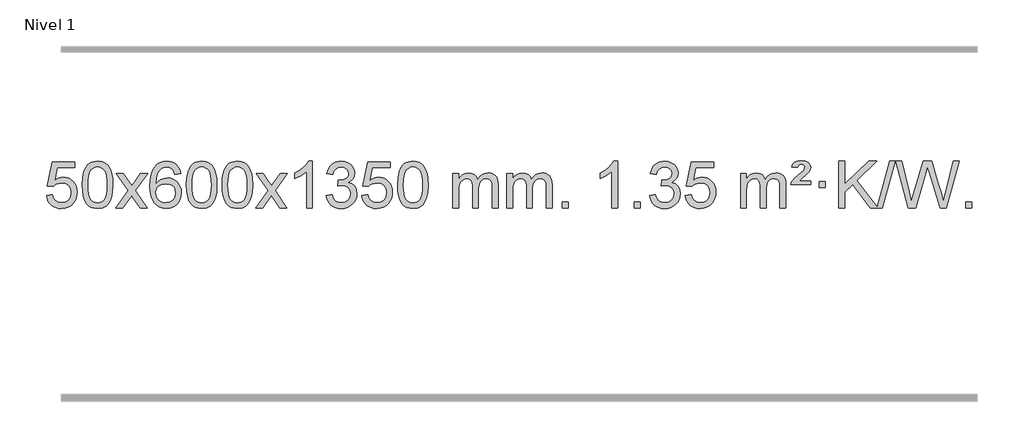
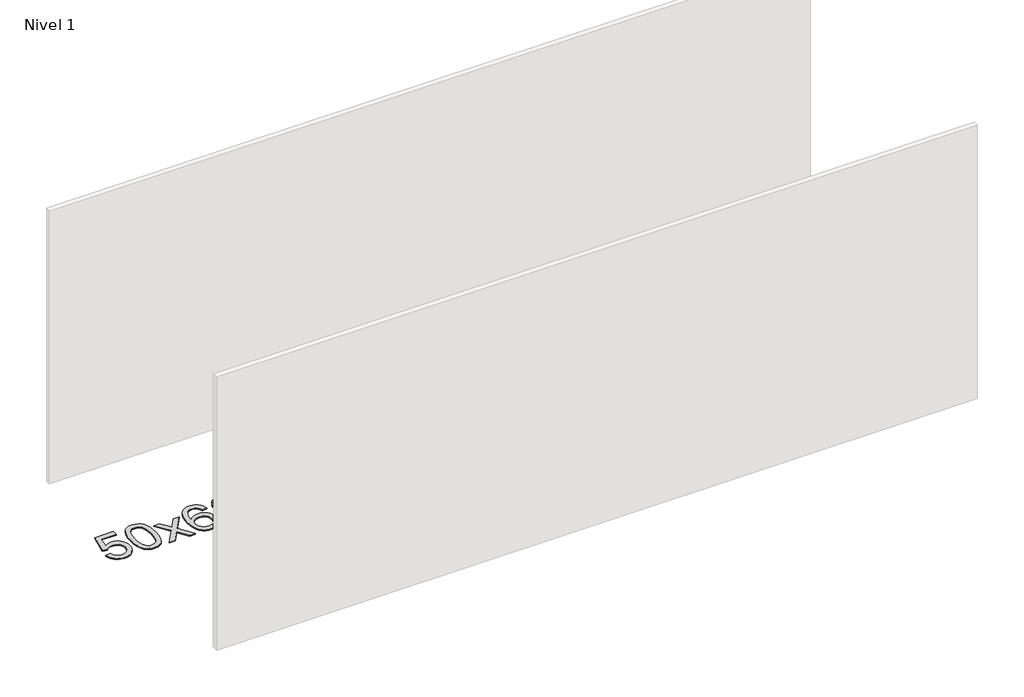
# One storey, part 8 of 8: 1 proxy.
"""IFC4 building model written with IfcOpenShell, lengths in millimetres."""

from ifc_helpers import new_model, si_unit, origin, origin_with_axes, place, context, project, spatial, polyline, outline, extrude, element, save

model = new_model("IFC4")

# Units and contexts
model_context = context("Model", 3, world=origin())
ifc_project = project(units=[si_unit("LENGTHUNIT", "METRE", prefix="MILLI")], contexts=[model_context])

# Site, building, storey
site = spatial("IfcSite", under=ifc_project)
building = spatial("IfcBuilding", under=site)
storey = spatial("IfcBuildingStorey", under=building, Name="Nivel 1", Elevation=0.0)

# Proxy
placement = place(None, origin())
element("IfcBuildingElementProxy", 1, Name="Texto de modelo 1", ObjectType="Texto de modelo 1", at=placement, inside=storey, context=model_context, shape_type="SweptSolid", body=[
    extrude(outline(polyline([(-356.1697105, 2715.1553765), (-305.9415554, 2721.4338959), (-296.71998, 2691.2798351), (-280.6312741, 2669.6851619), (-257.749014, 2656.6989275), (-228.1467761, 2652.3701827), (-209.0169124, 2653.8754332), (-192.1433915, 2658.3911847), (-177.5262136, 2665.9174372), (-165.1653786, 2676.4541906), (-155.3367979, 2689.480279), (-148.3163832, 2704.4745359), (-142.7000514, 2740.3675559), (-147.9607639, 2774.1636486), (-154.5366546, 2788.0818507), (-163.7429015, 2800.0134901), (-175.6101615, 2809.5845533), (-190.1690915, 2816.4210271), (-227.3619612, 2821.8902061), (-251.728012, 2819.7074396), (-271.4587497, 2813.1591401), (-287.2163618, 2803.1282243), (-299.663036, 2790.4976092), (-349.8911911, 2796.7761285), (-305.9415554, 3003.9672682), (-111.3074545, 3003.9672682), (-111.3074545, 2953.7391131), (-265.3273831, 2953.7391131), (-286.8116916, 2843.080209), (-269.0859108, 2855.7844006), (-250.9309344, 2864.8588231), (-232.3467623, 2870.3034766), (-213.3333945, 2872.1183612), (-188.8723075, 2869.8681496), (-166.4039146, 2863.117515), (-145.9282159, 2851.8664573), (-127.4452113, 2836.1149766), (-112.144386, 2816.8256973), (-101.2152251, 2794.961244), (-94.6577285, 2770.5216168), (-92.4718963, 2743.5068156), (-94.440065, 2717.4852958), (-100.344571, 2693.2786606), (-110.1854144, 2670.8869098), (-123.9625951, 2650.3100435), (-144.833767, 2629.2365366), (-169.187555, 2614.1840316), (-197.0239593, 2605.1525286), (-228.3429799, 2602.1420276), (-254.2633321, 2604.0764738), (-277.6759554, 2609.8798123), (-298.5808498, 2619.552043), (-316.9780152, 2633.0931662), (-332.2849719, 2649.8287312), (-343.91924, 2669.084288), (-351.8808195, 2690.8598364), (-356.1697105, 2715.1553765)])), origin_with_axes(), (0.0, 0.0, 1.0), 10.0),
    extrude(outline(polyline([(-48.5222606, 2806.0958057), (-44.8311779, 2870.4138412), (-33.7579299, 2921.7088541), (-15.4128811, 2960.7656593), (-3.5548181, 2975.9990395), (10.0936039, 2988.3690716), (25.5783702, 2997.9401349), (42.9454661, 3004.7766086), (83.3266464, 3010.2457876), (114.277785, 3007.008426), (141.9915619, 2997.2963414), (165.1681276, 2981.4896783), (182.5076323, 2959.9685816), (195.6042314, 2932.9169922), (206.05208, 2900.5188512), (212.8946851, 2859.3773814), (215.1755535, 2806.0958057), (211.521259, 2742.1456523), (200.5583756, 2690.9732667), (182.3236913, 2651.8796734), (170.4932195, 2636.6003078), (156.8539945, 2624.1658964), (141.3508341, 2614.5304538), (123.928556, 2607.6479948), (83.3266464, 2602.1420276), (55.6619204, 2604.5332606), (31.1364541, 2611.7069595), (9.7502474, 2623.6631243), (-8.4966996, 2640.4017551), (-26.0078825, 2670.6600492), (-38.5158704, 2708.3618224), (-46.0206631, 2753.5070745), (-48.5222606, 2806.0958057)]), holes=[polyline([(1.7058944, 2806.1939076), (3.1774224, 2762.5293805), (7.5920064, 2727.1851178), (14.9496463, 2700.1611196), (25.2503421, 2681.4573858), (37.709279, 2668.7317344), (51.5416421, 2659.6419835), (66.7474312, 2654.1881329), (83.3266464, 2652.3701827), (99.9058617, 2654.1942643), (115.1116508, 2659.6665089), (128.9440138, 2668.7869167), (141.4029507, 2681.5554876), (151.7036466, 2700.2898783), (159.0612865, 2727.3077451), (163.4758705, 2762.6090882), (164.9473984, 2806.1939076), (163.5249214, 2848.7026722), (159.2574902, 2883.4246011), (152.145105, 2910.3596945), (142.1877657, 2929.5079524), (129.9372952, 2942.8559375), (115.9455167, 2952.3902125), (100.21243, 2958.1107775), (82.7380352, 2960.0176325), (66.2446591, 2958.3376381), (51.2963874, 2953.2976548), (37.89322, 2944.8976825), (26.0351571, 2933.1377214), (15.3911047, 2912.291075), (7.7882101, 2884.1848906), (3.2264734, 2848.8191681), (1.7058944, 2806.1939076)])]), origin_with_axes(), (0.0, 0.0, 1.0), 10.0),
    extrude(outline(polyline([(240.2896311, 2608.420547), (347.6130718, 2756.7505675), (246.5681504, 2903.5109581), (306.9988995, 2903.5109581), (355.7555266, 2832.877615), (378.5151594, 2799.5229808), (398.2336343, 2826.7952993), (453.7592901, 2903.5109581), (514.1900392, 2903.5109581), (408.0438209, 2756.7505675), (510.2659646, 2608.420547), (449.8352155, 2608.420547), (388.3253459, 2697.5951426), (377.0436314, 2713.8800523), (300.7203801, 2608.420547), (240.2896311, 2608.420547)])), origin_with_axes(), (0.0, 0.0, 1.0), 10.0),
    extrude(outline(polyline([(799.0778563, 2903.5109581), (748.8497012, 2897.2324387), (740.7562973, 2922.125787), (729.8179393, 2939.1219352), (707.0337811, 2954.7937082), (679.4916824, 2960.0176325), (656.1434384, 2956.9764747), (634.1686206, 2947.8530012), (615.2962742, 2928.6372983), (599.8820186, 2902.1865829), (589.4709581, 2864.772984), (585.6081972, 2812.6686307), (605.7558678, 2836.1762902), (629.9011894, 2852.7432427), (656.6952614, 2862.565692), (684.7891831, 2865.8398418), (708.922242, 2863.601893), (731.1913654, 2856.8880466), (751.5965534, 2845.6983025), (770.137806, 2830.0326609), (785.5459302, 2810.8230894), (796.5517332, 2789.0015557), (803.155215, 2764.5680599), (805.3563756, 2737.5226018), (801.2115718, 2701.5560055), (788.7771604, 2668.213634), (769.0832109, 2639.9357713), (743.159793, 2619.1627013), (712.184129, 2606.397196), (677.3334413, 2602.1420276), (647.3909126, 2604.9624563), (620.3485203, 2613.4237421), (596.2062643, 2627.5258853), (574.9641448, 2647.2688857), (557.6460999, 2673.4866092), (545.2760678, 2707.0129217), (537.8540485, 2747.8478232), (535.3800421, 2795.9913136), (538.1268943, 2849.9657337), (546.367451, 2896.0306908), (560.1017122, 2934.1861851), (579.3296778, 2964.4322165), (600.1701928, 2984.4756538), (624.3339085, 2998.7923948), (651.820825, 3007.3824394), (682.6309421, 3010.2457876), (705.7645882, 3008.4738227), (726.7032051, 3003.1579278), (745.4467927, 2994.2981031), (761.9953511, 2981.8943485), (775.9012906, 2966.3635969), (786.7170212, 2948.1227814), (794.4425431, 2927.1719017), (799.0778563, 2903.5109581)]), holes=[polyline([(585.6081972, 2738.3074168), (588.514465, 2716.0505561), (597.2332682, 2694.7992395), (610.7713257, 2676.527767), (628.1353558, 2663.2104388), (649.0923668, 2655.0802467), (673.4093667, 2652.3701827), (706.5555345, 2657.9865145), (720.4706709, 2665.0069292), (732.6138425, 2674.8355099), (742.4638829, 2687.0737176), (749.499626, 2701.3230135), (755.1282206, 2735.8548701), (749.5732024, 2769.0010379), (742.6294298, 2782.6218688), (732.9081481, 2794.274531), (720.7281883, 2803.6095366), (706.4083817, 2810.2773978), (671.3492275, 2815.6116867), (638.2521107, 2810.2773978), (610.5751219, 2794.274531), (599.6520924, 2782.7751529), (591.8499284, 2769.6141746), (587.16863, 2754.7915958), (585.6081972, 2738.3074168)])]), origin_with_axes(), (0.0, 0.0, 1.0), 10.0),
    extrude(outline(polyline([(849.3060113, 2806.0958057), (852.997094, 2870.4138412), (864.0703421, 2921.7088541), (882.4153909, 2960.7656593), (894.2734539, 2975.9990395), (907.9218759, 2988.3690716), (923.4066422, 2997.9401349), (940.7737381, 3004.7766086), (981.1549184, 3010.2457876), (1012.1060569, 3007.008426), (1039.8198339, 2997.2963414), (1062.9963996, 2981.4896783), (1080.3359043, 2959.9685816), (1093.4325033, 2932.9169922), (1103.880352, 2900.5188512), (1110.7229571, 2859.3773814), (1113.0038255, 2806.0958057), (1109.349531, 2742.1456523), (1098.3866475, 2690.9732667), (1080.1519633, 2651.8796734), (1068.3214915, 2636.6003078), (1054.6822665, 2624.1658964), (1039.1791061, 2614.5304538), (1021.7568279, 2607.6479948), (981.1549184, 2602.1420276), (953.4901924, 2604.5332606), (928.964726, 2611.7069595), (907.5785194, 2623.6631243), (889.3315724, 2640.4017551), (871.8203894, 2670.6600492), (859.3124016, 2708.3618224), (851.8076089, 2753.5070745), (849.3060113, 2806.0958057)]), holes=[polyline([(899.5341664, 2806.1939076), (901.0056944, 2762.5293805), (905.4202783, 2727.1851178), (912.7779182, 2700.1611196), (923.0786141, 2681.4573858), (935.537551, 2668.7317344), (949.369914, 2659.6419835), (964.5757032, 2654.1881329), (981.1549184, 2652.3701827), (997.7341337, 2654.1942643), (1012.9399228, 2659.6665089), (1026.7722858, 2668.7869167), (1039.2312227, 2681.5554876), (1049.5319186, 2700.2898783), (1056.8895585, 2727.3077451), (1061.3041424, 2762.6090882), (1062.7756704, 2806.1939076), (1061.3531934, 2848.7026722), (1057.0857622, 2883.4246011), (1049.973377, 2910.3596945), (1040.0160376, 2929.5079524), (1027.7655672, 2942.8559375), (1013.7737886, 2952.3902125), (998.040702, 2958.1107775), (980.5663072, 2960.0176325), (964.0729311, 2958.3376381), (949.1246594, 2953.2976548), (935.721492, 2944.8976825), (923.863429, 2933.1377214), (913.2193766, 2912.291075), (905.6164821, 2884.1848906), (901.0547453, 2848.8191681), (899.5341664, 2806.1939076)])]), origin_with_axes(), (0.0, 0.0, 1.0), 10.0),
    extrude(outline(polyline([(1156.9534612, 2806.0958057), (1160.6445439, 2870.4138412), (1171.7177919, 2921.7088541), (1190.0628407, 2960.7656593), (1201.9209037, 2975.9990395), (1215.5693257, 2988.3690716), (1231.054092, 2997.9401349), (1248.4211879, 3004.7766086), (1288.8023682, 3010.2457876), (1319.7535068, 3007.008426), (1347.4672837, 2997.2963414), (1370.6438494, 2981.4896783), (1387.9833541, 2959.9685816), (1401.0799532, 2932.9169922), (1411.5278018, 2900.5188512), (1418.3704069, 2859.3773814), (1420.6512753, 2806.0958057), (1416.9969808, 2742.1456523), (1406.0340974, 2690.9732667), (1387.7994131, 2651.8796734), (1375.9689413, 2636.6003078), (1362.3297163, 2624.1658964), (1346.8265559, 2614.5304538), (1329.4042778, 2607.6479948), (1288.8023682, 2602.1420276), (1261.1376422, 2604.5332606), (1236.6121759, 2611.7069595), (1215.2259692, 2623.6631243), (1196.9790222, 2640.4017551), (1179.4678393, 2670.6600492), (1166.9598514, 2708.3618224), (1159.4550587, 2753.5070745), (1156.9534612, 2806.0958057)]), holes=[polyline([(1207.1816162, 2806.1939076), (1208.6531442, 2762.5293805), (1213.0677282, 2727.1851178), (1220.4253681, 2700.1611196), (1230.7260639, 2681.4573858), (1243.1850008, 2668.7317344), (1257.0173639, 2659.6419835), (1272.223153, 2654.1881329), (1288.8023682, 2652.3701827), (1305.3815835, 2654.1942643), (1320.5873726, 2659.6665089), (1334.4197356, 2668.7869167), (1346.8786725, 2681.5554876), (1357.1793684, 2700.2898783), (1364.5370083, 2727.3077451), (1368.9515923, 2762.6090882), (1370.4231202, 2806.1939076), (1369.0006432, 2848.7026722), (1364.733212, 2883.4246011), (1357.6208268, 2910.3596945), (1347.6634875, 2929.5079524), (1335.413017, 2942.8559375), (1321.4212385, 2952.3902125), (1305.6881518, 2958.1107775), (1288.213757, 2960.0176325), (1271.7203809, 2958.3376381), (1256.7721092, 2953.2976548), (1243.3689418, 2944.8976825), (1231.5108789, 2933.1377214), (1220.8668265, 2912.291075), (1213.2639319, 2884.1848906), (1208.7021952, 2848.8191681), (1207.1816162, 2806.1939076)])]), origin_with_axes(), (0.0, 0.0, 1.0), 10.0),
    extrude(outline(polyline([(1445.7653528, 2608.420547), (1553.0887936, 2756.7505675), (1452.0438722, 2903.5109581), (1512.4746213, 2903.5109581), (1561.2312484, 2832.877615), (1583.9908812, 2799.5229808), (1603.7093561, 2826.7952993), (1659.2350119, 2903.5109581), (1719.665761, 2903.5109581), (1613.5195426, 2756.7505675), (1715.7416864, 2608.420547), (1655.3109373, 2608.420547), (1593.8010677, 2697.5951426), (1582.5193532, 2713.8800523), (1506.1961019, 2608.420547), (1445.7653528, 2608.420547)])), origin_with_axes(), (0.0, 0.0, 1.0), 10.0),
    extrude(outline(polyline([(1935.4898648, 2608.420547), (1885.2617098, 2608.420547), (1885.2617098, 2921.5617013), (1864.292436, 2904.6023413), (1837.682305, 2887.6675068), (1784.8053996, 2862.3081746), (1784.8053996, 2909.7894775), (1824.2546122, 2931.2492605), (1858.4308496, 2956.780271), (1885.3720743, 2983.9299622), (1903.1162492, 3010.2457876), (1935.4898648, 3010.2457876), (1935.4898648, 2608.420547)])), origin_with_axes(), (0.0, 0.0, 1.0), 10.0),
    extrude(outline(polyline([(2054.7817331, 2715.1553765), (2105.0098882, 2721.4338959), (2116.2548145, 2689.8696207), (2132.7236652, 2668.5569905), (2155.2257805, 2656.4168846), (2184.570501, 2652.3701827), (2219.0042558, 2657.9374636), (2233.2780772, 2664.8965646), (2245.5898613, 2674.6393061), (2262.5860095, 2699.5571799), (2268.2513922, 2729.7725545), (2262.6350604, 2758.4550874), (2245.786065, 2781.7174922), (2220.27958, 2797.1317478), (2188.6907794, 2802.269833), (2153.4722097, 2796.7761285), (2159.064016, 2847.0042836), (2167.108369, 2846.4156724), (2197.2011162, 2850.020916), (2224.1055528, 2860.8366466), (2235.1788008, 2869.0158897), (2243.0882637, 2879.1326445), (2247.8339415, 2891.1869112), (2249.415834, 2905.1786898), (2244.8295718, 2926.8714648), (2231.0707852, 2944.4684869), (2210.076986, 2956.1303461), (2183.7856861, 2960.0176325), (2157.4453352, 2956.0935579), (2135.9119758, 2944.3213341), (2120.1911519, 2924.700961), (2111.2884076, 2897.2324387), (2061.0602525, 2903.5109581), (2067.0138095, 2927.4907328), (2075.8491087, 2948.6132907), (2087.5661503, 2966.8786317), (2102.1649341, 2982.286756), (2119.1856078, 2994.5188323), (2138.1683187, 3003.2560297), (2159.113067, 3008.4983481), (2182.0198525, 3010.2457876), (2213.5963904, 3006.7999596), (2242.5977544, 2996.4624755), (2267.0496443, 2980.1530404), (2284.9777602, 2958.7913592), (2295.9774319, 2934.1800537), (2299.6439891, 2908.1217457), (2296.1613729, 2883.8415341), (2285.7135242, 2861.8176653), (2268.4475959, 2843.0556835), (2244.5107408, 2828.5611329), (2275.9523886, 2815.8569414), (2299.2515817, 2794.22548), (2313.6725559, 2764.8439714), (2318.4795473, 2728.8896377), (2316.0760516, 2703.4076782), (2308.8655645, 2679.9368069), (2296.848086, 2658.4770238), (2280.023616, 2639.028329), (2259.5264575, 2622.8905722), (2236.4909133, 2611.363603), (2210.9169832, 2604.4474215), (2182.8046674, 2602.1420276), (2157.3962843, 2604.1101963), (2134.2442441, 2610.0147023), (2113.3485468, 2619.8555457), (2094.7091923, 2633.6327264), (2079.0803389, 2650.5369041), (2067.2161446, 2669.7587383), (2059.1166093, 2691.2982292), (2054.7817331, 2715.1553765)])), origin_with_axes(), (0.0, 0.0, 1.0), 10.0),
    extrude(outline(polyline([(2362.429183, 2715.1553765), (2412.657338, 2721.4338959), (2421.8789134, 2691.2798351), (2437.9676193, 2669.6851619), (2460.8498794, 2656.6989275), (2490.4521173, 2652.3701827), (2509.581981, 2653.8754332), (2526.4555019, 2658.3911847), (2541.0726798, 2665.9174372), (2553.4335149, 2676.4541906), (2563.2620955, 2689.480279), (2570.2825102, 2704.4745359), (2575.898842, 2740.3675559), (2570.6381295, 2774.1636486), (2564.0622388, 2788.0818507), (2554.8559919, 2800.0134901), (2542.9887319, 2809.5845533), (2528.4298019, 2816.4210271), (2491.2369322, 2821.8902061), (2466.8708814, 2819.7074396), (2447.1401437, 2813.1591401), (2431.3825316, 2803.1282243), (2418.9358574, 2790.4976092), (2368.7077023, 2796.7761285), (2412.657338, 3003.9672682), (2607.291439, 3003.9672682), (2607.291439, 2953.7391131), (2453.2715103, 2953.7391131), (2431.7872018, 2843.080209), (2449.5129826, 2855.7844006), (2467.667959, 2864.8588231), (2486.2521312, 2870.3034766), (2505.265499, 2872.1183612), (2529.726586, 2869.8681496), (2552.1949788, 2863.117515), (2572.6706775, 2851.8664573), (2591.1536821, 2836.1149766), (2606.4545074, 2816.8256973), (2617.3836684, 2794.961244), (2623.9411649, 2770.5216168), (2626.1269971, 2743.5068156), (2624.1588284, 2717.4852958), (2618.2543224, 2693.2786606), (2608.413479, 2670.8869098), (2594.6362983, 2650.3100435), (2573.7651265, 2629.2365366), (2549.4113384, 2614.1840316), (2521.5749341, 2605.1525286), (2490.2559136, 2602.1420276), (2464.3355613, 2604.0764738), (2440.922938, 2609.8798123), (2420.0180436, 2619.552043), (2401.6208782, 2633.0931662), (2386.3139215, 2649.8287312), (2374.6796534, 2669.084288), (2366.7180739, 2690.8598364), (2362.429183, 2715.1553765)])), origin_with_axes(), (0.0, 0.0, 1.0), 10.0),
    extrude(outline(polyline([(2670.0766328, 2806.0958057), (2673.7677155, 2870.4138412), (2684.8409635, 2921.7088541), (2703.1860124, 2960.7656593), (2715.0440753, 2975.9990395), (2728.6924974, 2988.3690716), (2744.1772637, 2997.9401349), (2761.5443595, 3004.7766086), (2801.9255399, 3010.2457876), (2832.8766784, 3007.008426), (2860.5904554, 2997.2963414), (2883.7670211, 2981.4896783), (2901.1065258, 2959.9685816), (2914.2031248, 2932.9169922), (2924.6509735, 2900.5188512), (2931.4935786, 2859.3773814), (2933.7744469, 2806.0958057), (2930.1201525, 2742.1456523), (2919.157269, 2690.9732667), (2900.9225848, 2651.8796734), (2889.0921129, 2636.6003078), (2875.452888, 2624.1658964), (2859.9497276, 2614.5304538), (2842.5274494, 2607.6479948), (2801.9255399, 2602.1420276), (2774.2608138, 2604.5332606), (2749.7353475, 2611.7069595), (2728.3491408, 2623.6631243), (2710.1021939, 2640.4017551), (2692.5910109, 2670.6600492), (2680.0830231, 2708.3618224), (2672.5782304, 2753.5070745), (2670.0766328, 2806.0958057)]), holes=[polyline([(2720.3047879, 2806.1939076), (2721.7763158, 2762.5293805), (2726.1908998, 2727.1851178), (2733.5485397, 2700.1611196), (2743.8492356, 2681.4573858), (2756.3081725, 2668.7317344), (2770.1405355, 2659.6419835), (2785.3463246, 2654.1881329), (2801.9255399, 2652.3701827), (2818.5047551, 2654.1942643), (2833.7105442, 2659.6665089), (2847.5429073, 2668.7869167), (2860.0018442, 2681.5554876), (2870.30254, 2700.2898783), (2877.6601799, 2727.3077451), (2882.0747639, 2762.6090882), (2883.5462919, 2806.1939076), (2882.1238148, 2848.7026722), (2877.8563837, 2883.4246011), (2870.7439984, 2910.3596945), (2860.7866591, 2929.5079524), (2848.5361887, 2942.8559375), (2834.5444101, 2952.3902125), (2818.8113234, 2958.1107775), (2801.3369287, 2960.0176325), (2784.8435526, 2958.3376381), (2769.8952808, 2953.2976548), (2756.4921135, 2944.8976825), (2744.6340505, 2933.1377214), (2733.9899981, 2912.291075), (2726.3871035, 2884.1848906), (2721.8253668, 2848.8191681), (2720.3047879, 2806.1939076)])]), origin_with_axes(), (0.0, 0.0, 1.0), 10.0),
    extrude(outline(polyline([(3147.244106, 2608.420547), (3147.244106, 2903.5109581), (3197.4722611, 2903.5109581), (3197.4722611, 2854.9505347), (3212.5799483, 2877.2564463), (3232.0041177, 2894.7308411), (3255.0825815, 2906.0248184), (3281.1531522, 2909.7894775), (3309.0876584, 2905.951242), (3331.4794092, 2894.4365355), (3348.2057772, 2876.0056476), (3359.1441352, 2851.4188676), (3377.4523959, 2876.9560094), (3398.3358304, 2895.196825), (3421.794439, 2906.1413143), (3447.8282215, 2909.7894775), (3467.9360383, 2908.2719642), (3485.585177, 2903.7194245), (3500.7756377, 2896.1318584), (3513.5074204, 2885.5092658), (3523.5720587, 2871.7290194), (3530.761086, 2854.6684918), (3535.0745024, 2834.3276832), (3536.5123078, 2810.7065934), (3536.5123078, 2608.420547), (3486.2841528, 2608.420547), (3486.2841528, 2789.124183), (3485.1191931, 2814.1769469), (3481.6243142, 2831.0627305), (3475.0760146, 2842.6264879), (3464.7507933, 2851.7131732), (3451.4702533, 2857.5992851), (3436.0559977, 2859.5613224), (3408.8449928, 2854.5336018), (3386.6617085, 2839.45044), (3378.0563355, 2827.8805512), (3371.9096405, 2813.2817674), (3366.9922845, 2774.9975144), (3366.9922845, 2608.420547), (3316.7641294, 2608.420547), (3316.7641294, 2794.7159894), (3313.8578616, 2823.1164794), (3305.1390583, 2843.3745146), (3289.7983791, 2855.5146204), (3267.0264836, 2859.5613224), (3247.6758907, 2856.8635211), (3229.8458767, 2848.7701172), (3215.1305968, 2835.4773144), (3205.1242066, 2817.1813165), (3199.3852475, 2791.7974589), (3197.4722611, 2757.2410768), (3197.4722611, 2608.420547), (3147.244106, 2608.420547)])), origin_with_axes(), (0.0, 0.0, 1.0), 10.0),
    extrude(outline(polyline([(3611.8545404, 2608.420547), (3611.8545404, 2903.5109581), (3662.0826955, 2903.5109581), (3662.0826955, 2854.9505347), (3677.1903828, 2877.2564463), (3696.6145521, 2894.7308411), (3719.693016, 2906.0248184), (3745.7635867, 2909.7894775), (3773.6980929, 2905.951242), (3796.0898436, 2894.4365355), (3812.8162117, 2876.0056476), (3823.7545697, 2851.4188676), (3842.0628303, 2876.9560094), (3862.9462649, 2895.196825), (3886.4048734, 2906.1413143), (3912.438656, 2909.7894775), (3932.5464727, 2908.2719642), (3950.1956114, 2903.7194245), (3965.3860721, 2896.1318584), (3978.1178548, 2885.5092658), (3988.1824931, 2871.7290194), (3995.3715204, 2854.6684918), (3999.6849368, 2834.3276832), (4001.1227423, 2810.7065934), (4001.1227423, 2608.420547), (3950.8945872, 2608.420547), (3950.8945872, 2789.124183), (3949.7296276, 2814.1769469), (3946.2347486, 2831.0627305), (3939.6864491, 2842.6264879), (3929.3612278, 2851.7131732), (3916.0806877, 2857.5992851), (3900.6664321, 2859.5613224), (3873.4554272, 2854.5336018), (3851.2721429, 2839.45044), (3842.6667699, 2827.8805512), (3836.5200749, 2813.2817674), (3831.6027189, 2774.9975144), (3831.6027189, 2608.420547), (3781.3745638, 2608.420547), (3781.3745638, 2794.7159894), (3778.4682961, 2823.1164794), (3769.7494928, 2843.3745146), (3754.4088136, 2855.5146204), (3731.6369181, 2859.5613224), (3712.2863251, 2856.8635211), (3694.4563111, 2848.7701172), (3679.7410313, 2835.4773144), (3669.734641, 2817.1813165), (3663.9956819, 2791.7974589), (3662.0826955, 2757.2410768), (3662.0826955, 2608.420547), (3611.8545404, 2608.420547)])), origin_with_axes(), (0.0, 0.0, 1.0), 10.0),
    extrude(outline(polyline([(4089.0220137, 2608.420547), (4089.0220137, 2658.6487021), (4139.2501687, 2658.6487021), (4139.2501687, 2608.420547), (4089.0220137, 2608.420547)])), origin_with_axes(), (0.0, 0.0, 1.0), 10.0),
    extrude(outline(polyline([(4566.1894869, 2608.420547), (4515.9613318, 2608.420547), (4515.9613318, 2921.5617013), (4494.9920581, 2904.6023413), (4468.3819271, 2887.6675068), (4415.5050216, 2862.3081746), (4415.5050216, 2909.7894775), (4454.9542343, 2931.2492605), (4489.1304716, 2956.780271), (4516.0716964, 2983.9299622), (4533.8158713, 3010.2457876), (4566.1894869, 3010.2457876), (4566.1894869, 2608.420547)])), origin_with_axes(), (0.0, 0.0, 1.0), 10.0),
    extrude(outline(polyline([(4710.5954327, 2608.420547), (4710.5954327, 2658.6487021), (4760.8235878, 2658.6487021), (4760.8235878, 2608.420547), (4710.5954327, 2608.420547)])), origin_with_axes(), (0.0, 0.0, 1.0), 10.0),
    extrude(outline(polyline([(4842.4443398, 2715.1553765), (4892.6724949, 2721.4338959), (4903.9174212, 2689.8696207), (4920.3862718, 2668.5569905), (4942.8883872, 2656.4168846), (4972.2331077, 2652.3701827), (5006.6668624, 2657.9374636), (5020.9406838, 2664.8965646), (5033.2524679, 2674.6393061), (5050.2486161, 2699.5571799), (5055.9139988, 2729.7725545), (5050.2976671, 2758.4550874), (5033.4486717, 2781.7174922), (5007.9421867, 2797.1317478), (4976.353386, 2802.269833), (4941.1348164, 2796.7761285), (4946.7266227, 2847.0042836), (4954.7709756, 2846.4156724), (4984.8637228, 2850.020916), (5011.7681594, 2860.8366466), (5022.8414075, 2869.0158897), (5030.7508704, 2879.1326445), (5035.4965481, 2891.1869112), (5037.0784407, 2905.1786898), (5032.4921785, 2926.8714648), (5018.7333919, 2944.4684869), (4997.7395927, 2956.1303461), (4971.4482928, 2960.0176325), (4945.1079419, 2956.0935579), (4923.5745824, 2944.3213341), (4907.8537585, 2924.700961), (4898.9510142, 2897.2324387), (4848.7228592, 2903.5109581), (4854.6764161, 2927.4907328), (4863.5117154, 2948.6132907), (4875.2287569, 2966.8786317), (4889.8275408, 2982.286756), (4906.8482144, 2994.5188323), (4925.8309254, 3003.2560297), (4946.7756736, 3008.4983481), (4969.6824592, 3010.2457876), (5001.2589971, 3006.7999596), (5030.2603611, 2996.4624755), (5054.712251, 2980.1530404), (5072.6403669, 2958.7913592), (5083.6400386, 2934.1800537), (5087.3065958, 2908.1217457), (5083.8239795, 2883.8415341), (5073.3761309, 2861.8176653), (5056.1102026, 2843.0556835), (5032.1733474, 2828.5611329), (5063.6149953, 2815.8569414), (5086.9141883, 2794.22548), (5101.3351625, 2764.8439714), (5106.1421539, 2728.8896377), (5103.7386582, 2703.4076782), (5096.5281711, 2679.9368069), (5084.5106926, 2658.4770238), (5067.6862227, 2639.028329), (5047.1890642, 2622.8905722), (5024.1535199, 2611.363603), (4998.5795899, 2604.4474215), (4970.4672741, 2602.1420276), (4945.058891, 2604.1101963), (4921.9068507, 2610.0147023), (4901.0111534, 2619.8555457), (4882.371799, 2633.6327264), (4866.7429456, 2650.5369041), (4854.8787512, 2669.7587383), (4846.779216, 2691.2982292), (4842.4443398, 2715.1553765)])), origin_with_axes(), (0.0, 0.0, 1.0), 10.0),
    extrude(outline(polyline([(5150.0917896, 2715.1553765), (5200.3199447, 2721.4338959), (5209.54152, 2691.2798351), (5225.630226, 2669.6851619), (5248.5124861, 2656.6989275), (5278.1147239, 2652.3701827), (5297.2445877, 2653.8754332), (5314.1181085, 2658.3911847), (5328.7352865, 2665.9174372), (5341.0961215, 2676.4541906), (5350.9247021, 2689.480279), (5357.9451169, 2704.4745359), (5363.5614487, 2740.3675559), (5358.3007361, 2774.1636486), (5351.7248455, 2788.0818507), (5342.5185986, 2800.0134901), (5330.6513385, 2809.5845533), (5316.0924086, 2816.4210271), (5278.8995389, 2821.8902061), (5254.533488, 2819.7074396), (5234.8027504, 2813.1591401), (5219.0451382, 2803.1282243), (5206.5984641, 2790.4976092), (5156.370309, 2796.7761285), (5200.3199447, 3003.9672682), (5394.9540456, 3003.9672682), (5394.9540456, 2953.7391131), (5240.934117, 2953.7391131), (5219.4498084, 2843.080209), (5237.1755892, 2855.7844006), (5255.3305657, 2864.8588231), (5273.9147378, 2870.3034766), (5292.9281056, 2872.1183612), (5317.3891926, 2869.8681496), (5339.8575855, 2863.117515), (5360.3332842, 2851.8664573), (5378.8162887, 2836.1149766), (5394.1171141, 2816.8256973), (5405.046275, 2794.961244), (5411.6037716, 2770.5216168), (5413.7896038, 2743.5068156), (5411.8214351, 2717.4852958), (5405.9169291, 2693.2786606), (5396.0760857, 2670.8869098), (5382.298905, 2650.3100435), (5361.4277331, 2629.2365366), (5337.073945, 2614.1840316), (5309.2375407, 2605.1525286), (5277.9185202, 2602.1420276), (5251.998168, 2604.0764738), (5228.5855447, 2609.8798123), (5207.6806503, 2619.552043), (5189.2834848, 2633.0931662), (5173.9765281, 2649.8287312), (5162.3422601, 2669.084288), (5154.3806805, 2690.8598364), (5150.0917896, 2715.1553765)])), origin_with_axes(), (0.0, 0.0, 1.0), 10.0),
    extrude(outline(polyline([(5627.2592628, 2608.420547), (5627.2592628, 2903.5109581), (5677.4874179, 2903.5109581), (5677.4874179, 2854.9505347), (5692.5951052, 2877.2564463), (5712.0192745, 2894.7308411), (5735.0977383, 2906.0248184), (5761.1683091, 2909.7894775), (5789.1028152, 2905.951242), (5811.494566, 2894.4365355), (5828.2209341, 2876.0056476), (5839.159292, 2851.4188676), (5857.4675527, 2876.9560094), (5878.3509873, 2895.196825), (5901.8095958, 2906.1413143), (5927.8433783, 2909.7894775), (5947.9511951, 2908.2719642), (5965.6003338, 2903.7194245), (5980.7907945, 2896.1318584), (5993.5225772, 2885.5092658), (6003.5872155, 2871.7290194), (6010.7762428, 2854.6684918), (6015.0896592, 2834.3276832), (6016.5274647, 2810.7065934), (6016.5274647, 2608.420547), (5966.2993096, 2608.420547), (5966.2993096, 2789.124183), (5965.1343499, 2814.1769469), (5961.639471, 2831.0627305), (5955.0911715, 2842.6264879), (5944.7659501, 2851.7131732), (5931.4854101, 2857.5992851), (5916.0711545, 2859.5613224), (5888.8601496, 2854.5336018), (5866.6768653, 2839.45044), (5858.0714923, 2827.8805512), (5851.9247973, 2813.2817674), (5847.0074413, 2774.9975144), (5847.0074413, 2608.420547), (5796.7792862, 2608.420547), (5796.7792862, 2794.7159894), (5793.8730184, 2823.1164794), (5785.1542152, 2843.3745146), (5769.813536, 2855.5146204), (5747.0416405, 2859.5613224), (5727.6910475, 2856.8635211), (5709.8610335, 2848.7701172), (5695.1457537, 2835.4773144), (5685.1393634, 2817.1813165), (5679.4004043, 2791.7974589), (5677.4874179, 2757.2410768), (5677.4874179, 2608.420547), (5627.2592628, 2608.420547)])), origin_with_axes(), (0.0, 0.0, 1.0), 10.0),
    extrude(outline(polyline([(6060.4771003, 2809.3331673), (6064.3030731, 2825.1520931), (6072.6417317, 2841.0200698), (6094.1505656, 2866.1586728), (6126.1072483, 2893.8969753), (6170.2530877, 2931.273786), (6177.3899984, 2942.8007552), (6179.7689686, 2954.6220299), (6177.8805077, 2966.7130848), (6172.215125, 2976.4987459), (6162.8463969, 2982.973469), (6149.8478997, 2985.1317101), (6137.4134883, 2983.5130293), (6128.5597949, 2978.656987), (6122.1341227, 2969.1901569), (6116.9837748, 2953.7391131), (6066.7556197, 2960.0176325), (6077.5958759, 2985.2298119), (6094.224142, 3002.7900458), (6117.9893189, 3013.0907417), (6150.2403072, 3016.524307), (6186.0229626, 3012.3917659), (6210.7691581, 2999.9941427), (6225.1901323, 2981.6613566), (6229.9971237, 2959.7233269), (6225.9013708, 2936.8165414), (6213.6141122, 2915.1850801), (6193.0862969, 2895.3685032), (6156.6169284, 2867.3113697), (6131.0123416, 2840.7257642), (6229.9971237, 2840.7257642), (6229.9971237, 2809.3331673), (6060.4771003, 2809.3331673)])), origin_with_axes(), (0.0, 0.0, 1.0), 10.0),
    extrude(outline(polyline([(6305.3393563, 2784.2190898), (6305.3393563, 2834.4472448), (6355.5675114, 2834.4472448), (6355.5675114, 2784.2190898), (6305.3393563, 2784.2190898)])), origin_with_axes(), (0.0, 0.0, 1.0), 10.0),
    extrude(outline(polyline([(6746.2091394, 2608.420547), (6592.7778219, 2811.0990009), (6525.0875348, 2746.5479735), (6525.0875348, 2608.420547), (6474.8593797, 2608.420547), (6474.8593797, 3010.2457876), (6525.0875348, 3010.2457876), (6525.0875348, 2813.5515475), (6731.1014521, 3010.2457876), (6801.3423877, 3010.2457876), (6628.388799, 2845.0422463), (6803.0424089, 2614.4650668), (6914.3557366, 3010.2457876), (6959.6787984, 3010.2457876), (6846.6654495, 2608.420547), (6807.6209071, 2608.420547), (6801.3423877, 2608.420547), (6746.2091394, 2608.420547)])), origin_with_axes(), (0.0, 0.0, 1.0), 10.0),
    extrude(outline(polyline([(7074.1636753, 2608.420547), (6964.5838917, 3010.2457876), (7016.3816766, 3010.2457876), (7079.9516854, 2746.155566), (7099.5720585, 2664.6329159), (7120.5658576, 2736.7377869), (7200.2245723, 3010.2457876), (7274.8800919, 3010.2457876), (7332.7601925, 2811.9819177), (7357.5554389, 2738.4055186), (7375.8269114, 2664.6329159), (7394.8586732, 2743.8011212), (7459.0172932, 3010.2457876), (7510.8150781, 3010.2457876), (7401.1371926, 2608.420547), (7347.4754723, 2608.420547), (7251.1394405, 2918.4224416), (7237.6994849, 2961.6853642), (7222.5917976, 2909.5932737), (7134.7906281, 2608.420547), (7074.1636753, 2608.420547)])), origin_with_axes(), (0.0, 0.0, 1.0), 10.0),
    extrude(outline(polyline([(7567.3217526, 2608.420547), (7567.3217526, 2658.6487021), (7617.5499077, 2658.6487021), (7617.5499077, 2608.420547), (7567.3217526, 2608.420547)])), origin_with_axes(), (0.0, 0.0, 1.0), 10.0),
])

save(model, "model.ifc")
